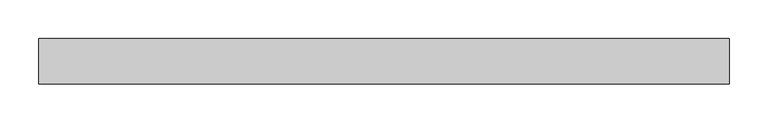
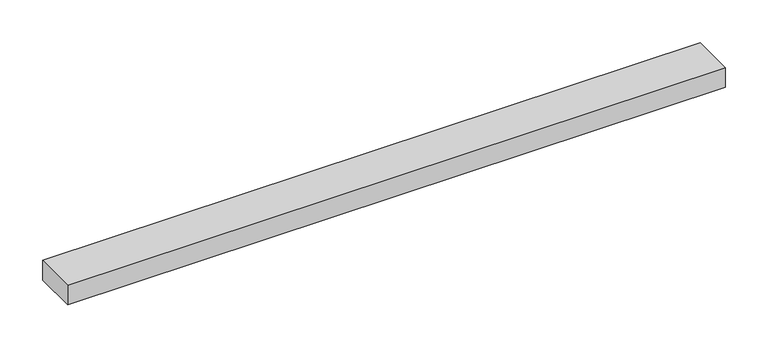
"""IFC4 building model written with IfcOpenShell, lengths in millimetres: proxy geometry."""

from ifc_helpers import new_model, si_unit, frame, origin, place, context, project, spatial, polyline, outline, extrude, source, transform, mapped, element, save


def specialty_equipment_c9c9b200(model_context):
    return source(origin(), model_context, "Body", "SweptSolid", [
        extrude(outline(polyline([(-444.5, 29.2199219), (444.5, 29.2199219), (444.5, -29.2199219), (-444.5, -29.2199219), (-444.5, 29.2199219)])), frame((0.0, 0.0, -13.9898438), z_axis=(0.0, 0.0, 1.0), x_axis=(1.0, 0.0, 0.0)), (0.0, 0.0, 1.0), 27.9796875),
    ])


if __name__ == "__main__":
    model = new_model("IFC4")
    model_context = context("Model", 3, world=origin())
    ifc_project = project(units=[si_unit("LENGTHUNIT", "METRE", prefix="MILLI")], contexts=[model_context])
    site = spatial("IfcSite", under=ifc_project)
    building = spatial("IfcBuilding", under=site)
    placement = place(None, origin())
    specialty_equipment_shape = specialty_equipment_c9c9b200(model_context)
    element("IfcBuildingElementProxy", 1, Name="Specialty Equipment", at=placement, inside=building, context=model_context, shape_type="MappedRepresentation", body=[
        mapped(specialty_equipment_shape, transform((0.0, 0.0, 0.0), x_axis=(1.0, 0.0, 0.0), y_axis=(0.0, 1.0, 0.0), z_axis=(0.0, 0.0, 1.0))),
    ])
    save(model, "model.ifc")
